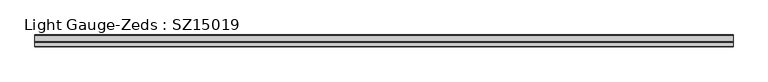
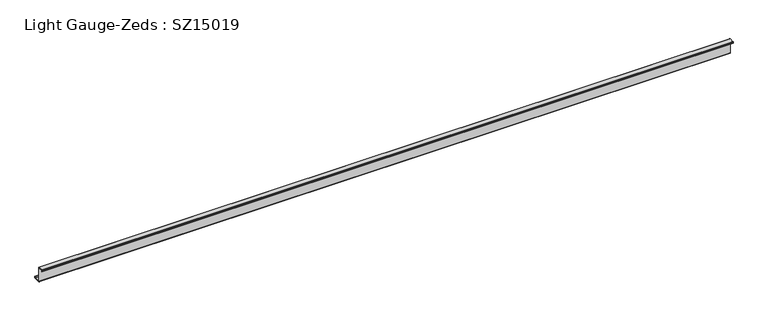
"""IFC4 building model written with IfcOpenShell, lengths in millimetres: beam geometry, Light Gauge-Zeds : SZ15019."""

import ifcopenshell
import ifcopenshell.guid

model = None  # the IFC model being written
_history = None  # IfcOwnerHistory: only IFC2X3 demands one
_inside = {}  # id of a spatial element -> (the spatial element, [elements in it])
_under = {}  # id of a project, library or spatial element -> (it, [spatial elements below it])
_declared = {}  # id of a project -> (the project, [libraries it declares])
_typed = {}  # id of a type object -> (the type object, [elements of that type])
_made_of = {}  # id of a material, layer set ... -> (it, [elements and type objects made of it])


def new_model(schema):
    """Start an empty IFC model of exactly this schema.

    Asked for "IFC4X3", IfcOpenShell would pick the latest addendum, in which some entities
    have other attributes; the version numbers below select the first issue.
    IFC2X3 requires an IfcOwnerHistory on every rooted entity: one is made here for all.
    """
    global model, _history
    if schema == "IFC4X3":
        model = ifcopenshell.file(schema_version=(4, 3, 0, 0))
    else:
        model = ifcopenshell.file(schema=schema)
    _inside.clear()
    _under.clear()
    _declared.clear()
    _typed.clear()
    _made_of.clear()
    _history = None
    if model.schema == "IFC2X3":
        org = make("IfcOrganization", Name="unknown")
        user = make(
            "IfcPersonAndOrganization",
            ThePerson=make("IfcPerson", FamilyName="unknown"),
            TheOrganization=org,
        )
        app = make(
            "IfcApplication",
            ApplicationDeveloper=org,
            Version="unknown",
            ApplicationFullName="unknown",
            ApplicationIdentifier="unknown",
        )
        _history = make(
            "IfcOwnerHistory",
            OwningUser=user,
            OwningApplication=app,
            ChangeAction="ADDED",
            CreationDate=0,
        )
    return model


def make(cls, **values):
    """One entity of the class cls with the attributes given. An attribute that is None is left unset."""
    return model.create_entity(
        cls, **{name: value for name, value in values.items() if value is not None}
    )


def rooted(cls, **values):
    """An entity with a GlobalId (a new one), such as an element, a storey or a relation."""
    return make(cls, GlobalId=ifcopenshell.guid.new(), OwnerHistory=_history, **values)


def si_unit(unit_type, name, prefix=None):
    """IfcSIUnit, for example si_unit("LENGTHUNIT", "METRE", prefix="MILLI")."""
    return make("IfcSIUnit", UnitType=unit_type, Prefix=prefix, Name=name)


def assignment(units):
    """IfcUnitAssignment: the units of a project."""
    return None if units is None else make("IfcUnitAssignment", Units=units)


def point(xyz):
    """IfcCartesianPoint."""
    return None if xyz is None else make("IfcCartesianPoint", Coordinates=xyz)


def direction(xyz):
    """IfcDirection."""
    return None if xyz is None else make("IfcDirection", DirectionRatios=xyz)


def frame(location, z_axis=None, x_axis=None):
    """IfcAxis2Placement3D, a coordinate frame: its origin and axes. An axis left out is left unset."""
    return make(
        "IfcAxis2Placement3D",
        Location=point(location),
        Axis=direction(z_axis),
        RefDirection=direction(x_axis),
    )


def frame_2d(location, x_axis=None):
    """IfcAxis2Placement2D, a coordinate frame in the plane: its origin and x axis."""
    return make(
        "IfcAxis2Placement2D", Location=point(location), RefDirection=direction(x_axis)
    )


def origin():
    """The frame at (0, 0, 0) with its axes left unset."""
    return frame((0.0, 0.0, 0.0))


def place(relative_to, where):
    """IfcLocalPlacement: puts the frame where relative to a parent placement (None: the world)."""
    return make(
        "IfcLocalPlacement", PlacementRelTo=relative_to, RelativePlacement=where
    )


def context(
    kind, dimensions, precision=None, world=None, true_north=None, identifier=None
):
    """IfcGeometricRepresentationContext, for example the 3D "Model" context."""
    return make(
        "IfcGeometricRepresentationContext",
        ContextIdentifier=identifier,
        ContextType=kind,
        CoordinateSpaceDimension=dimensions,
        Precision=precision,
        WorldCoordinateSystem=world,
        TrueNorth=true_north,
    )


def project(units=None, contexts=None):
    """IfcProject with its units and contexts."""
    return rooted(
        "IfcProject",
        Name="project",
        RepresentationContexts=contexts,
        UnitsInContext=assignment(units),
    )


def spatial(cls, under=None, at=None, **own):
    """A site, building, storey or space (cls), placed at a placement, below another one or the project."""
    s = rooted(cls, ObjectPlacement=at, **own)
    if under is not None:
        _under.setdefault(under.id(), (under, []))[1].append(s)
    return s


def polyline(points):
    """IfcPolyline through the points."""
    return make("IfcPolyline", Points=[point(p) for p in points])


def circle_curve(where, radius):
    """IfcCircle in the frame where."""
    return make("IfcCircle", Position=where, Radius=radius)


def trimmed(basis, trim1, trim2, sense, master):
    """IfcTrimmedCurve: the piece of a basis curve between two trims."""
    return make(
        "IfcTrimmedCurve",
        BasisCurve=basis,
        Trim1=trim1,
        Trim2=trim2,
        SenseAgreement=sense,
        MasterRepresentation=master,
    )


def segment(curve, same_sense, transition):
    """IfcCompositeCurveSegment."""
    return make(
        "IfcCompositeCurveSegment",
        Transition=transition,
        SameSense=same_sense,
        ParentCurve=curve,
    )


def composite_curve(segments, self_intersect=None):
    """IfcCompositeCurve: segments joined end to end."""
    return make("IfcCompositeCurve", Segments=segments, SelfIntersect=self_intersect)


def outline(outer, holes=None, kind="AREA"):
    """IfcArbitraryClosedProfileDef: a profile drawn as a closed curve; with holes, ...WithVoids."""
    if holes is None:
        return make("IfcArbitraryClosedProfileDef", ProfileType=kind, OuterCurve=outer)
    return make(
        "IfcArbitraryProfileDefWithVoids",
        ProfileType=kind,
        OuterCurve=outer,
        InnerCurves=holes,
    )


def extrude(swept, where, along, depth):
    """IfcExtrudedAreaSolid: the profile swept, set in the frame where, extruded along a direction by depth."""
    return make(
        "IfcExtrudedAreaSolid",
        SweptArea=swept,
        Position=where,
        ExtrudedDirection=direction(along),
        Depth=depth,
    )


def shape(context_of_items, identifier, shape_type, items):
    """IfcShapeRepresentation: the items that make up one representation, for example the "Body"."""
    return make(
        "IfcShapeRepresentation",
        ContextOfItems=context_of_items,
        RepresentationIdentifier=identifier,
        RepresentationType=shape_type,
        Items=items,
    )


def source(mapping_origin, context_of_items, identifier, shape_type, items):
    """IfcRepresentationMap: a shape defined once, which mapped items show again and again."""
    return make(
        "IfcRepresentationMap",
        MappingOrigin=mapping_origin,
        MappedRepresentation=shape(context_of_items, identifier, shape_type, items),
    )


def transform(
    local_origin,
    x_axis=None,
    y_axis=None,
    z_axis=None,
    scale=None,
    scale2=None,
    scale3=None,
    uniform=True,
):
    """IfcCartesianTransformationOperator3D, or its non-uniform kind. x_axis, y_axis, z_axis: its Axis1, 2, 3."""
    if uniform:
        return make(
            "IfcCartesianTransformationOperator3D",
            Axis1=direction(x_axis),
            Axis2=direction(y_axis),
            LocalOrigin=point(local_origin),
            Scale=scale,
            Axis3=direction(z_axis),
        )
    return make(
        "IfcCartesianTransformationOperator3DnonUniform",
        Axis1=direction(x_axis),
        Axis2=direction(y_axis),
        LocalOrigin=point(local_origin),
        Scale=scale,
        Axis3=direction(z_axis),
        Scale2=scale2,
        Scale3=scale3,
    )


def mapped(mapping_source, mapping_target):
    """IfcMappedItem: shows the shape of a source again, moved by a transform."""
    return make(
        "IfcMappedItem", MappingSource=mapping_source, MappingTarget=mapping_target
    )


def made_of(thing, what):
    """Note that an element or type object is made of a material, layer set ...; save() writes the relation."""
    if what is not None:
        _made_of.setdefault(what.id(), (what, []))[1].append(thing)
    return thing


def element(
    cls,
    number,
    at=None,
    inside=None,
    cuts=None,
    type_object=None,
    material=None,
    context=None,
    identifier="Body",
    shape_type=None,
    held_by="IfcProductDefinitionShape",
    body=None,
    shapes=None,
    **own,
):
    """One element of the class cls, such as IfcWall. Its Tag is "e" and its number.

    at: its placement. inside: the storey or other place that contains it. cuts: it is an
    opening in that element (IfcRelVoidsElement). A single representation is given by context,
    identifier, shape_type and body (its items); several are given by shapes. held_by: the class
    of the entity that holds the representations. save() writes the other relations.
    """
    e = rooted(cls, Tag="e%d" % number, ObjectPlacement=at, **own)
    if body is not None:
        shapes = [shape(context, identifier, shape_type, body)]
    if shapes is not None:
        e.Representation = make(held_by, Representations=shapes)
    if inside is not None:
        _inside.setdefault(inside.id(), (inside, []))[1].append(e)
    if cuts is not None:
        rooted(
            "IfcRelVoidsElement", RelatingBuildingElement=cuts, RelatedOpeningElement=e
        )
    if type_object is not None:
        _typed.setdefault(type_object.id(), (type_object, []))[1].append(e)
    return made_of(e, material)


def aggregate(whole, parts):
    """IfcRelAggregates: a whole, such as a stair, and the parts it consists of."""
    return rooted("IfcRelAggregates", RelatingObject=whole, RelatedObjects=parts)


def save(model, path):
    """Write the relations noted so far, then the file.

    IfcRelAggregates (storeys below a building ...), IfcRelContainedInSpatialStructure (elements
    in a storey), IfcRelDefinesByType, IfcRelAssociatesMaterial and IfcRelDeclares: one each for
    every whole, place, type object, material and project.
    """
    for whole, parts in _under.values():
        aggregate(whole, parts)
    for where, things in _inside.values():
        rooted(
            "IfcRelContainedInSpatialStructure",
            RelatedElements=things,
            RelatingStructure=where,
        )
    for kind, things in _typed.values():
        rooted("IfcRelDefinesByType", RelatedObjects=things, RelatingType=kind)
    for what, things in _made_of.values():
        rooted("IfcRelAssociatesMaterial", RelatedObjects=things, RelatingMaterial=what)
    for by, libraries in _declared.values():
        rooted("IfcRelDeclares", RelatingContext=by, RelatedDefinitions=libraries)
    model.write(path)


def light_gauge_zeds_sz15019_e02420d6(model_context):
    return source(origin(), model_context, "Body", "SweptSolid", [
        extrude(outline(composite_curve([segment(polyline([(0.0, -72.1), (0.0, 72.1)]), True, "CONTINUOUS"), segment(trimmed(circle_curve(frame_2d((-2.0, 72.1)), 2.0), [point((0.0, 72.1))], [point((-2.0, 74.1))], True, "CARTESIAN"), True, "CONTINUOUS"), segment(polyline([(-2.0, 74.1), (-46.6, 74.1)]), True, "CONTINUOUS"), segment(trimmed(circle_curve(frame_2d((-46.6, 72.1)), 2.0), [point((-46.6, 74.1))], [point((-48.6, 72.1))], True, "CARTESIAN"), True, "CONTINUOUS"), segment(polyline([(-48.6, 72.1), (-48.6, 58.0), (-50.5, 58.0), (-50.5, 72.1)]), True, "CONTINUOUS"), segment(trimmed(circle_curve(frame_2d((-46.6, 72.1)), 3.9), [point((-50.5, 72.1))], [point((-46.6, 76.0))], False, "CARTESIAN"), True, "CONTINUOUS"), segment(polyline([(-46.6, 76.0), (-2.0, 76.0)]), True, "CONTINUOUS"), segment(trimmed(circle_curve(frame_2d((-2.0, 72.1)), 3.9), [point((-2.0, 76.0))], [point((1.9, 72.1))], False, "CARTESIAN"), True, "CONTINUOUS"), segment(polyline([(1.9, 72.1), (1.9, -72.1)]), True, "CONTINUOUS"), segment(trimmed(circle_curve(frame_2d((3.9, -72.1)), 2.0), [point((1.9, -72.1))], [point((3.9, -74.1))], True, "CARTESIAN"), True, "CONTINUOUS"), segment(polyline([(3.9, -74.1), (63.6, -74.1)]), True, "CONTINUOUS"), segment(trimmed(circle_curve(frame_2d((63.6, -72.1)), 2.0), [point((63.6, -74.1))], [point((65.6, -72.1))], True, "CARTESIAN"), True, "CONTINUOUS"), segment(polyline([(65.6, -72.1), (65.6, -57.0), (67.5, -57.0), (67.5, -72.1)]), True, "CONTINUOUS"), segment(trimmed(circle_curve(frame_2d((63.6, -72.1)), 3.9), [point((67.5, -72.1))], [point((63.6, -76.0))], False, "CARTESIAN"), True, "CONTINUOUS"), segment(polyline([(63.6, -76.0), (3.9, -76.0)]), True, "CONTINUOUS"), segment(trimmed(circle_curve(frame_2d((3.9, -72.1)), 3.9), [point((3.9, -76.0))], [point((0.0, -72.1))], False, "CARTESIAN"), True, "CONTINUOUS")], self_intersect=False)), frame((-3085.75, 0.0, 0.0), z_axis=(1.0, 0.0, 0.0), x_axis=(0.0, 1.0, 0.0)), (0.0, 0.0, 1.0), 6817.1890917),
    ])


if __name__ == "__main__":
    model = new_model("IFC4")
    model_context = context("Model", 3, world=origin())
    ifc_project = project(units=[si_unit("LENGTHUNIT", "METRE", prefix="MILLI")], contexts=[model_context])
    site = spatial("IfcSite", under=ifc_project)
    building = spatial("IfcBuilding", under=site)
    placement = place(None, origin())
    light_gauge_zeds_sz15019_shape = light_gauge_zeds_sz15019_e02420d6(model_context)
    element("IfcBeam", 1, ObjectType="Light Gauge-Zeds : SZ15019", at=placement, inside=building, context=model_context, shape_type="MappedRepresentation", body=[
        mapped(light_gauge_zeds_sz15019_shape, transform((0.0, 0.0, 0.0), x_axis=(1.0, 0.0, 0.0), y_axis=(0.0, 1.0, 0.0), z_axis=(0.0, 0.0, 1.0))),
    ])
    save(model, "model.ifc")
